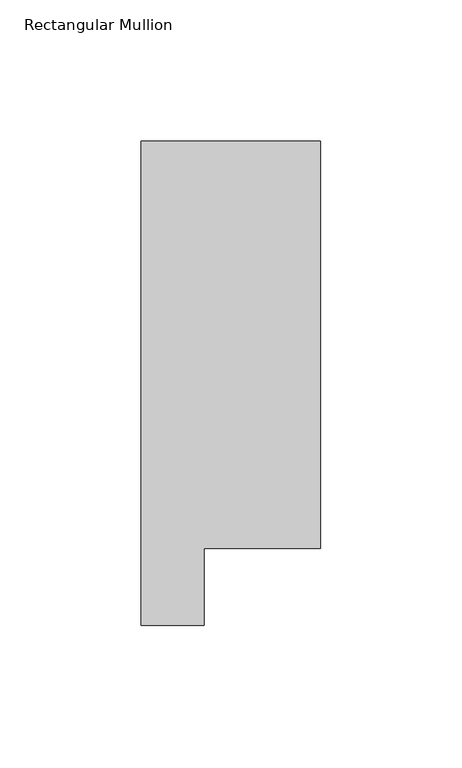
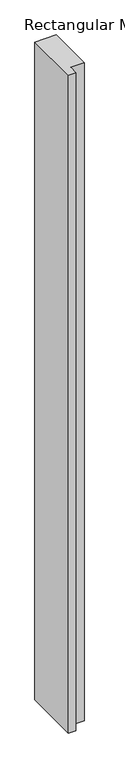
"""IFC4 building model written with IfcOpenShell, lengths in millimetres: member geometry, Rectangular Mullion."""

from ifc_helpers import new_model, si_unit, frame, origin, place, context, project, spatial, polyline, outline, extrude, source, transform, mapped, element, save


def rectangular_mullion_2c490c10(model_context):
    return source(origin(), model_context, "Body", "SweptSolid", [
        extrude(outline(polyline([(-31.7499998, 19.5667313), (-31.7499998, 190.7881313), (31.7499998, 190.7881313), (31.7499998, 46.7447302), (-9.5377002, 46.7447302), (-9.5377002, 19.5667313), (-31.7499998, 19.5667313)])), frame((0.0, 0.0, -2057.4), z_axis=(0.0, 0.0, 1.0), x_axis=(1.0, 0.0, 0.0)), (0.0, 0.0, 1.0), 2057.4),
    ])


if __name__ == "__main__":
    model = new_model("IFC4")
    model_context = context("Model", 3, world=origin())
    ifc_project = project(units=[si_unit("LENGTHUNIT", "METRE", prefix="MILLI")], contexts=[model_context])
    site = spatial("IfcSite", under=ifc_project)
    building = spatial("IfcBuilding", under=site)
    placement = place(None, origin())
    rectangular_mullion_shape = rectangular_mullion_2c490c10(model_context)
    element("IfcMember", 1, ObjectType="Rectangular Mullion", at=placement, inside=building, context=model_context, shape_type="MappedRepresentation", body=[
        mapped(rectangular_mullion_shape, transform((0.0, 0.0, 0.0), x_axis=(1.0, 0.0, 0.0), y_axis=(0.0, 1.0, 0.0), z_axis=(0.0, 0.0, 1.0))),
    ])
    save(model, "model.ifc")
